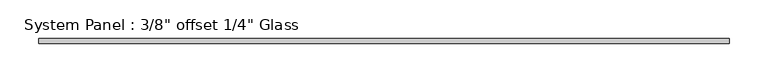
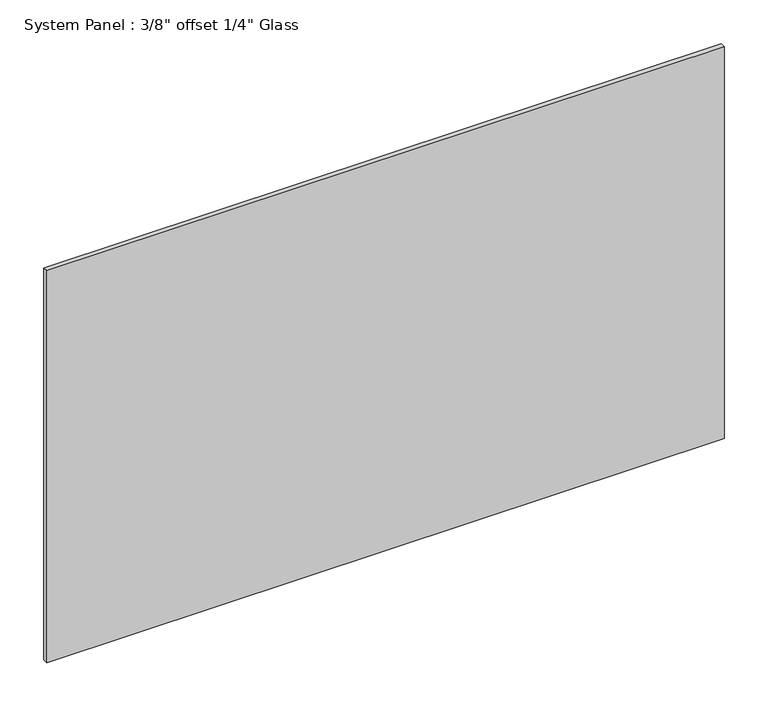
"""IFC4 building model written with IfcOpenShell, lengths in millimetres: plate geometry."""

import ifcopenshell
import ifcopenshell.guid

model = None  # the IFC model being written
_history = None  # IfcOwnerHistory: only IFC2X3 demands one
_inside = {}  # id of a spatial element -> (the spatial element, [elements in it])
_under = {}  # id of a project, library or spatial element -> (it, [spatial elements below it])
_declared = {}  # id of a project -> (the project, [libraries it declares])
_typed = {}  # id of a type object -> (the type object, [elements of that type])
_made_of = {}  # id of a material, layer set ... -> (it, [elements and type objects made of it])


def new_model(schema):
    """Start an empty IFC model of exactly this schema.

    Asked for "IFC4X3", IfcOpenShell would pick the latest addendum, in which some entities
    have other attributes; the version numbers below select the first issue.
    IFC2X3 requires an IfcOwnerHistory on every rooted entity: one is made here for all.
    """
    global model, _history
    if schema == "IFC4X3":
        model = ifcopenshell.file(schema_version=(4, 3, 0, 0))
    else:
        model = ifcopenshell.file(schema=schema)
    _inside.clear()
    _under.clear()
    _declared.clear()
    _typed.clear()
    _made_of.clear()
    _history = None
    if model.schema == "IFC2X3":
        org = make("IfcOrganization", Name="unknown")
        user = make(
            "IfcPersonAndOrganization",
            ThePerson=make("IfcPerson", FamilyName="unknown"),
            TheOrganization=org,
        )
        app = make(
            "IfcApplication",
            ApplicationDeveloper=org,
            Version="unknown",
            ApplicationFullName="unknown",
            ApplicationIdentifier="unknown",
        )
        _history = make(
            "IfcOwnerHistory",
            OwningUser=user,
            OwningApplication=app,
            ChangeAction="ADDED",
            CreationDate=0,
        )
    return model


def make(cls, **values):
    """One entity of the class cls with the attributes given. An attribute that is None is left unset."""
    return model.create_entity(
        cls, **{name: value for name, value in values.items() if value is not None}
    )


def rooted(cls, **values):
    """An entity with a GlobalId (a new one), such as an element, a storey or a relation."""
    return make(cls, GlobalId=ifcopenshell.guid.new(), OwnerHistory=_history, **values)


def si_unit(unit_type, name, prefix=None):
    """IfcSIUnit, for example si_unit("LENGTHUNIT", "METRE", prefix="MILLI")."""
    return make("IfcSIUnit", UnitType=unit_type, Prefix=prefix, Name=name)


def assignment(units):
    """IfcUnitAssignment: the units of a project."""
    return None if units is None else make("IfcUnitAssignment", Units=units)


def point(xyz):
    """IfcCartesianPoint."""
    return None if xyz is None else make("IfcCartesianPoint", Coordinates=xyz)


def direction(xyz):
    """IfcDirection."""
    return None if xyz is None else make("IfcDirection", DirectionRatios=xyz)


def frame(location, z_axis=None, x_axis=None):
    """IfcAxis2Placement3D, a coordinate frame: its origin and axes. An axis left out is left unset."""
    return make(
        "IfcAxis2Placement3D",
        Location=point(location),
        Axis=direction(z_axis),
        RefDirection=direction(x_axis),
    )


def origin():
    """The frame at (0, 0, 0) with its axes left unset."""
    return frame((0.0, 0.0, 0.0))


def origin_with_axes():
    """The frame at (0, 0, 0) with the z axis (0, 0, 1) and the x axis (1, 0, 0) written out."""
    return frame((0.0, 0.0, 0.0), z_axis=(0.0, 0.0, 1.0), x_axis=(1.0, 0.0, 0.0))


def place(relative_to, where):
    """IfcLocalPlacement: puts the frame where relative to a parent placement (None: the world)."""
    return make(
        "IfcLocalPlacement", PlacementRelTo=relative_to, RelativePlacement=where
    )


def context(
    kind, dimensions, precision=None, world=None, true_north=None, identifier=None
):
    """IfcGeometricRepresentationContext, for example the 3D "Model" context."""
    return make(
        "IfcGeometricRepresentationContext",
        ContextIdentifier=identifier,
        ContextType=kind,
        CoordinateSpaceDimension=dimensions,
        Precision=precision,
        WorldCoordinateSystem=world,
        TrueNorth=true_north,
    )


def project(units=None, contexts=None):
    """IfcProject with its units and contexts."""
    return rooted(
        "IfcProject",
        Name="project",
        RepresentationContexts=contexts,
        UnitsInContext=assignment(units),
    )


def spatial(cls, under=None, at=None, **own):
    """A site, building, storey or space (cls), placed at a placement, below another one or the project."""
    s = rooted(cls, ObjectPlacement=at, **own)
    if under is not None:
        _under.setdefault(under.id(), (under, []))[1].append(s)
    return s


def polyline(points):
    """IfcPolyline through the points."""
    return make("IfcPolyline", Points=[point(p) for p in points])


def outline(outer, holes=None, kind="AREA"):
    """IfcArbitraryClosedProfileDef: a profile drawn as a closed curve; with holes, ...WithVoids."""
    if holes is None:
        return make("IfcArbitraryClosedProfileDef", ProfileType=kind, OuterCurve=outer)
    return make(
        "IfcArbitraryProfileDefWithVoids",
        ProfileType=kind,
        OuterCurve=outer,
        InnerCurves=holes,
    )


def extrude(swept, where, along, depth):
    """IfcExtrudedAreaSolid: the profile swept, set in the frame where, extruded along a direction by depth."""
    return make(
        "IfcExtrudedAreaSolid",
        SweptArea=swept,
        Position=where,
        ExtrudedDirection=direction(along),
        Depth=depth,
    )


def shape(context_of_items, identifier, shape_type, items):
    """IfcShapeRepresentation: the items that make up one representation, for example the "Body"."""
    return make(
        "IfcShapeRepresentation",
        ContextOfItems=context_of_items,
        RepresentationIdentifier=identifier,
        RepresentationType=shape_type,
        Items=items,
    )


def source(mapping_origin, context_of_items, identifier, shape_type, items):
    """IfcRepresentationMap: a shape defined once, which mapped items show again and again."""
    return make(
        "IfcRepresentationMap",
        MappingOrigin=mapping_origin,
        MappedRepresentation=shape(context_of_items, identifier, shape_type, items),
    )


def transform(
    local_origin,
    x_axis=None,
    y_axis=None,
    z_axis=None,
    scale=None,
    scale2=None,
    scale3=None,
    uniform=True,
):
    """IfcCartesianTransformationOperator3D, or its non-uniform kind. x_axis, y_axis, z_axis: its Axis1, 2, 3."""
    if uniform:
        return make(
            "IfcCartesianTransformationOperator3D",
            Axis1=direction(x_axis),
            Axis2=direction(y_axis),
            LocalOrigin=point(local_origin),
            Scale=scale,
            Axis3=direction(z_axis),
        )
    return make(
        "IfcCartesianTransformationOperator3DnonUniform",
        Axis1=direction(x_axis),
        Axis2=direction(y_axis),
        LocalOrigin=point(local_origin),
        Scale=scale,
        Axis3=direction(z_axis),
        Scale2=scale2,
        Scale3=scale3,
    )


def mapped(mapping_source, mapping_target):
    """IfcMappedItem: shows the shape of a source again, moved by a transform."""
    return make(
        "IfcMappedItem", MappingSource=mapping_source, MappingTarget=mapping_target
    )


def made_of(thing, what):
    """Note that an element or type object is made of a material, layer set ...; save() writes the relation."""
    if what is not None:
        _made_of.setdefault(what.id(), (what, []))[1].append(thing)
    return thing


def element(
    cls,
    number,
    at=None,
    inside=None,
    cuts=None,
    type_object=None,
    material=None,
    context=None,
    identifier="Body",
    shape_type=None,
    held_by="IfcProductDefinitionShape",
    body=None,
    shapes=None,
    **own,
):
    """One element of the class cls, such as IfcWall. Its Tag is "e" and its number.

    at: its placement. inside: the storey or other place that contains it. cuts: it is an
    opening in that element (IfcRelVoidsElement). A single representation is given by context,
    identifier, shape_type and body (its items); several are given by shapes. held_by: the class
    of the entity that holds the representations. save() writes the other relations.
    """
    e = rooted(cls, Tag="e%d" % number, ObjectPlacement=at, **own)
    if body is not None:
        shapes = [shape(context, identifier, shape_type, body)]
    if shapes is not None:
        e.Representation = make(held_by, Representations=shapes)
    if inside is not None:
        _inside.setdefault(inside.id(), (inside, []))[1].append(e)
    if cuts is not None:
        rooted(
            "IfcRelVoidsElement", RelatingBuildingElement=cuts, RelatedOpeningElement=e
        )
    if type_object is not None:
        _typed.setdefault(type_object.id(), (type_object, []))[1].append(e)
    return made_of(e, material)


def aggregate(whole, parts):
    """IfcRelAggregates: a whole, such as a stair, and the parts it consists of."""
    return rooted("IfcRelAggregates", RelatingObject=whole, RelatedObjects=parts)


def save(model, path):
    """Write the relations noted so far, then the file.

    IfcRelAggregates (storeys below a building ...), IfcRelContainedInSpatialStructure (elements
    in a storey), IfcRelDefinesByType, IfcRelAssociatesMaterial and IfcRelDeclares: one each for
    every whole, place, type object, material and project.
    """
    for whole, parts in _under.values():
        aggregate(whole, parts)
    for where, things in _inside.values():
        rooted(
            "IfcRelContainedInSpatialStructure",
            RelatedElements=things,
            RelatingStructure=where,
        )
    for kind, things in _typed.values():
        rooted("IfcRelDefinesByType", RelatedObjects=things, RelatingType=kind)
    for what, things in _made_of.values():
        rooted("IfcRelAssociatesMaterial", RelatedObjects=things, RelatingMaterial=what)
    for by, libraries in _declared.values():
        rooted("IfcRelDeclares", RelatingContext=by, RelatedDefinitions=libraries)
    model.write(path)


def plate_4f009b13(model_context):
    return source(origin(), model_context, "Body", "SweptSolid", [
        extrude(outline(polyline([(446.0875, -12.7), (-446.0875, -12.7), (-446.0875, -6.35), (446.0875, -6.35), (446.0875, -12.7)])), origin_with_axes(), (0.0, 0.0, 1.0), 546.1),
    ])


if __name__ == "__main__":
    model = new_model("IFC4")
    model_context = context("Model", 3, world=origin())
    ifc_project = project(units=[si_unit("LENGTHUNIT", "METRE", prefix="MILLI")], contexts=[model_context])
    site = spatial("IfcSite", under=ifc_project)
    building = spatial("IfcBuilding", under=site)
    placement = place(None, origin())
    plate_shape = plate_4f009b13(model_context)
    element("IfcPlate", 1, ObjectType="System Panel : 3/8\" offset 1/4\" Glass", at=placement, inside=building, context=model_context, shape_type="MappedRepresentation", body=[
        mapped(plate_shape, transform((0.0, 0.0, 0.0), x_axis=(1.0, 0.0, 0.0), y_axis=(0.0, 1.0, 0.0), z_axis=(0.0, 0.0, 1.0))),
    ])
    save(model, "model.ifc")
